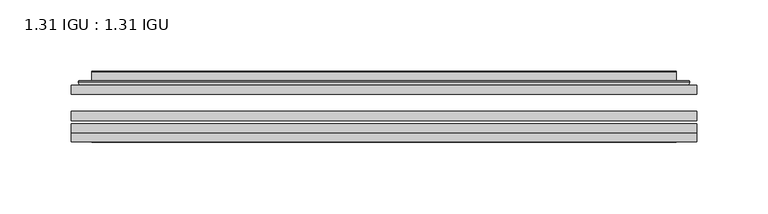
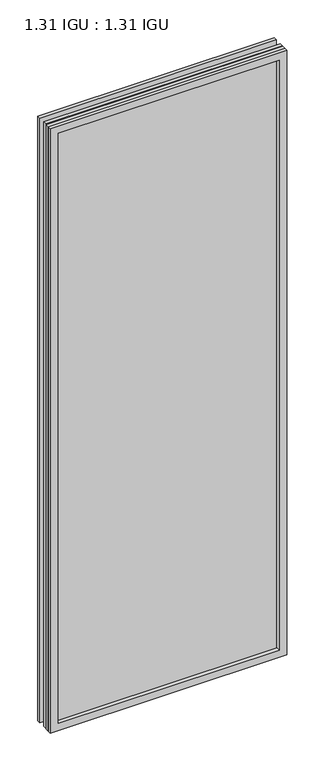
"""IFC4 building model written with IfcOpenShell, lengths in millimetres: plate geometry, 1.31 IGU : 1.31 IGU."""

from ifc_helpers import new_model, si_unit, frame, origin, place, context, project, spatial, polyline, ellipse_curve, outline, extrude, faceted_brep, source, transform, mapped, element, save
from ifc_brep_helpers import plane_surface, cylinder_surface, advanced_brep


def plate_1_31_igu_1_31_igu_09fe7ea7(model_context):
    return source(origin(), model_context, "Body", "SolidModel", [
        extrude(outline(polyline([(219.089175, -63.2975937), (219.089175, -69.6475938), (-219.075, -69.6475938), (-219.075, -63.2975937), (219.089175, -63.2975937)])), frame((0.0, 0.0, -14.2875), z_axis=(0.0, 0.0, 1.0), x_axis=(1.0, 0.0, 0.0)), (0.0, 0.0, 1.0), 1184.2787979),
        extrude(outline(polyline([(-219.075, -78.2835938), (-219.075, -71.9330887), (219.089175, -71.9330887), (219.089175, -78.2835938), (-219.075, -78.2835938)])), frame((0.0, 0.0, -14.2875), z_axis=(0.0, 0.0, 1.0), x_axis=(1.0, 0.0, 0.0)), (0.0, 0.0, 1.0), 1184.2787979),
        extrude(outline(polyline([(219.089175, -44.9587937), (219.089175, -51.3087938), (-219.075, -51.3087938), (-219.075, -44.9587937), (219.089175, -44.9587937)])), frame((0.0, 0.0, -14.2875), z_axis=(0.0, 0.0, 1.0), x_axis=(1.0, 0.0, 0.0)), (0.0, 0.0, 1.0), 1184.2787979),
        faceted_brep([(-219.0877, -84.6335937, 1170.0002), (-219.0877, -78.2835937, 1170.0002), (-219.0877, -78.2835937, -14.3002), (-219.0877, -84.6335937, -14.3002), (219.0877, -78.2835937, -14.3002), (219.0877, -84.6335937, -14.3002), (219.0877, -78.2835937, 1170.0002), (219.0877, -84.6335937, 1170.0002), (-203.8897559, -78.2835937, 0.8977441), (203.8897559, -78.2835937, 0.8977441), (203.8897559, -78.2835937, 1154.8022559), (-203.8897559, -78.2835937, 1154.8022559), (-204.7821902, -84.6335937, 1155.6946902), (204.7821902, -84.6335937, 1155.6946902), (204.7821902, -84.6335937, 0.0053098), (-204.7821902, -84.6335937, 0.0053098)], [[[0, 1, 2, 3]], [[3, 2, 4, 5]], [[5, 4, 6, 7]], [[1, 6, 4, 2], [8, 9, 10, 11]], [[7, 6, 1, 0]], [[3, 5, 7, 0], [12, 13, 14, 15]], [[11, 12, 15, 8]], [[8, 15, 14, 9]], [[9, 14, 13, 10]], [[10, 13, 12, 11]]]),
        advanced_brep(
        [(-211.833719, -44.9587937, 1162.746219), (-214.1879244, -42.9691271, 1165.1004244), (-214.1879244, -42.9691271, -9.4004244), (-211.833719, -44.9587937, -7.046219), (-202.7593939, -41.1187568, 1153.6718939), (-197.8245621, -44.9587937, 1148.7370621), (-197.8245621, -44.9587937, 6.9629379), (-202.7593939, -41.1187568, 2.0281061), (-203.7914217, -35.7215256, 1154.7039217), (-203.7914217, -35.7215256, 0.9960783), (-204.7820784, -35.3225507, 1155.6945784), (-204.7820784, -35.3225507, 0.0054216), (-204.7820784, -41.7837937, 1155.6945784), (-204.7820784, -41.7837937, 0.0054216), (-213.1861349, -41.7837937, 1164.0986349), (-213.1861349, -41.7837937, -8.3986349), (214.1879244, -42.9691271, -9.4004244), (211.833719, -44.9587937, -7.046219), (197.8245621, -44.9587937, 6.9629379), (202.7593939, -41.1187568, 2.0281061), (203.7914217, -35.7215256, 0.9960783), (204.7820784, -35.3225507, 0.0054216), (204.7820784, -41.7837937, 0.0054216), (213.1861349, -41.7837937, -8.3986349), (214.1879244, -42.9691271, 1165.1004244), (211.833719, -44.9587937, 1162.746219), (197.8245621, -44.9587937, 1148.7370621), (202.7593939, -41.1187568, 1153.6718939), (203.7914217, -35.7215256, 1154.7039217), (204.7820784, -35.3225507, 1155.6945784), (204.7820784, -41.7837937, 1155.6945784), (213.1861349, -41.7837937, 1164.0986349)],
        [
            (0, 1, ellipse_curve(frame((-211.833719, -42.5711937, 1162.746219), z_axis=(-0.7071067811865475, 0.0, -0.7071067811865475), x_axis=(-0.7071067811865474, 0.0, 0.7071067811865476)), 3.3765763, 2.3876)),
            (1, 2),
            (2, 3, ellipse_curve(frame((-211.833719, -42.5711937, -7.046219), z_axis=(-0.7071067811865475, 0.0, 0.7071067811865475), x_axis=(0.7071067811865474, 0.0, 0.7071067811865476)), 3.3765763, 2.3876)),
            (3, 0),
            (4, 5),
            (5, 6),
            (6, 7),
            (7, 4),
            (8, 4),
            (7, 9),
            (9, 8),
            (10, 8, ellipse_curve(frame((-204.4151219, -35.840786, 1155.3276219), z_axis=(-0.7071067811865475, 0.0, -0.7071067811865475), x_axis=(-0.7071067811865474, 0.0, 0.7071067811865476)), 0.8980256, 0.635)),
            (9, 11, ellipse_curve(frame((-204.4151219, -35.840786, 0.3723781), z_axis=(-0.7071067811865475, 0.0, 0.7071067811865475), x_axis=(0.7071067811865474, 0.0, 0.7071067811865476)), 0.8980256, 0.635)),
            (11, 10),
            (12, 10),
            (11, 13),
            (13, 12),
            (1, 14, ellipse_curve(frame((-213.1861349, -42.7997937, 1164.0986349), z_axis=(-0.7071067811865475, 0.0, -0.7071067811865475), x_axis=(-0.7071067811865474, 0.0, 0.7071067811865476)), 1.436841, 1.016)),
            (14, 15),
            (15, 2, ellipse_curve(frame((-213.1861349, -42.7997937, -8.3986349), z_axis=(-0.7071067811865475, 0.0, 0.7071067811865475), x_axis=(0.7071067811865474, 0.0, 0.7071067811865476)), 1.436841, 1.016)),
            (2, 16),
            (16, 17, ellipse_curve(frame((211.833719, -42.5711937, -7.046219), z_axis=(-0.7071067811865475, 0.0, -0.7071067811865475), x_axis=(-0.7071067811865476, 0.0, 0.7071067811865474)), 3.3765763, 2.3876)),
            (17, 3),
            (6, 18),
            (18, 19),
            (19, 7),
            (19, 20),
            (20, 9),
            (20, 21, ellipse_curve(frame((204.4151219, -35.840786, 0.3723781), z_axis=(-0.7071067811865475, 0.0, -0.7071067811865475), x_axis=(-0.7071067811865476, 0.0, 0.7071067811865474)), 0.8980256, 0.635)),
            (21, 11),
            (21, 22),
            (22, 13),
            (15, 23),
            (23, 16, ellipse_curve(frame((213.1861349, -42.7997937, -8.3986349), z_axis=(-0.7071067811865475, 0.0, -0.7071067811865475), x_axis=(-0.7071067811865476, 0.0, 0.7071067811865474)), 1.436841, 1.016)),
            (16, 24),
            (24, 25, ellipse_curve(frame((211.833719, -42.5711937, 1162.746219), z_axis=(0.7071067811865475, 0.0, -0.7071067811865475), x_axis=(-0.7071067811865474, 0.0, -0.7071067811865476)), 3.3765763, 2.3876)),
            (25, 17),
            (18, 26),
            (26, 27),
            (27, 19),
            (27, 28),
            (28, 20),
            (28, 29, ellipse_curve(frame((204.4151219, -35.840786, 1155.3276219), z_axis=(0.7071067811865475, 0.0, -0.7071067811865475), x_axis=(-0.7071067811865474, 0.0, -0.7071067811865476)), 0.8980256, 0.635)),
            (29, 21),
            (29, 30),
            (30, 22),
            (23, 31),
            (31, 24, ellipse_curve(frame((213.1861349, -42.7997937, 1164.0986349), z_axis=(0.7071067811865475, 0.0, -0.7071067811865475), x_axis=(-0.7071067811865474, 0.0, -0.7071067811865476)), 1.436841, 1.016)),
            (24, 1),
            (0, 25),
            (5, 26),
            (4, 27),
            (8, 28),
            (10, 29),
            (12, 30),
            (14, 31),
        ],
        [
            cylinder_surface(frame((-211.833719, -42.5711937, 1187.45), z_axis=(0.0, 0.0, 1.0), x_axis=(-1.0, 0.0, 0.0)), 2.3876),
            plane_surface(frame((-197.8245621, -44.9587937, 1148.7370621), z_axis=(0.6141233906514794, 0.7892100234124821, 0.0), x_axis=(0.0, 0.0, -1.0))),
            plane_surface(frame((-202.7593939, -41.1187568, 1153.6718939), z_axis=(0.9822050625507729, 0.18781164793386076, 0.0), x_axis=(0.0, 0.0, -1.0))),
            cylinder_surface(frame((-204.4151219, -35.840786, 1187.45), z_axis=(0.0, 0.0, 1.0), x_axis=(-1.0, 0.0, 0.0)), 0.635),
            plane_surface(frame((-204.7820784, -35.3225507, 1155.6945784), z_axis=(-1.0, 0.0, 0.0), x_axis=(0.0, 0.0, -1.0))),
            cylinder_surface(frame((-213.1861349, -42.7997937, 1187.45), z_axis=(0.0, 0.0, 1.0), x_axis=(-1.0, 0.0, 0.0)), 1.016),
            cylinder_surface(frame((-236.5375, -42.5711937, -7.046219), z_axis=(-1.0, 0.0, 0.0), x_axis=(0.0, 0.0, -1.0)), 2.3876),
            plane_surface(frame((-197.8245621, -44.9587937, 6.9629379), z_axis=(0.0, 0.7892100234124841, 0.6141233906514768), x_axis=(1.0, 0.0, 0.0))),
            plane_surface(frame((-202.7593939, -41.1187568, 2.0281061), z_axis=(0.0, 0.18781164793386393, 0.9822050625507723), x_axis=(1.0, 0.0, 0.0))),
            cylinder_surface(frame((-236.5375, -35.840786, 0.3723781), z_axis=(-1.0, 0.0, 0.0), x_axis=(0.0, 0.0, -1.0)), 0.635),
            plane_surface(frame((-204.7820784, -35.3225507, 0.0054216), z_axis=(0.0, 0.0, -1.0), x_axis=(1.0, 0.0, 0.0))),
            cylinder_surface(frame((-236.5375, -42.7997937, -8.3986349), z_axis=(-1.0, 0.0, 0.0), x_axis=(0.0, 0.0, -1.0)), 1.016),
            cylinder_surface(frame((211.833719, -42.5711937, -31.75), z_axis=(0.0, 0.0, -1.0), x_axis=(1.0, 0.0, 0.0)), 2.3876),
            plane_surface(frame((197.8245621, -44.9587937, 6.9629379), z_axis=(-0.6141233906514743, 0.7892100234124861, 0.0), x_axis=(0.0, 0.0, 1.0))),
            plane_surface(frame((202.7593939, -41.1187568, 2.0281061), z_axis=(-0.9822050625507718, 0.1878116479338671, 0.0), x_axis=(0.0, 0.0, 1.0))),
            cylinder_surface(frame((204.4151219, -35.840786, -31.75), z_axis=(0.0, 0.0, -1.0), x_axis=(1.0, 0.0, 0.0)), 0.635),
            plane_surface(frame((204.7820784, -35.3225507, 0.0054216), z_axis=(1.0, 0.0, 0.0), x_axis=(0.0, 0.0, 1.0))),
            cylinder_surface(frame((213.1861349, -42.7997937, -31.75), z_axis=(0.0, 0.0, -1.0), x_axis=(1.0, 0.0, 0.0)), 1.016),
            cylinder_surface(frame((236.5375, -42.5711937, 1162.746219), z_axis=(1.0, 0.0, 0.0), x_axis=(0.0, 0.0, 1.0)), 2.3876),
            plane_surface(frame((211.833719, -44.9587937, 1162.746219), z_axis=(0.0, -1.0, 0.0), x_axis=(-1.0, 0.0, 0.0))),
            plane_surface(frame((197.8245621, -44.9587937, 1148.7370621), z_axis=(0.0, 0.7892100234124841, -0.6141233906514768), x_axis=(-1.0, 0.0, 0.0))),
            plane_surface(frame((202.7593939, -41.1187568, 1153.6718939), z_axis=(0.0, 0.18781164793386393, -0.9822050625507723), x_axis=(-1.0, 0.0, 0.0))),
            cylinder_surface(frame((236.5375, -35.840786, 1155.3276219), z_axis=(1.0, 0.0, 0.0), x_axis=(0.0, 0.0, 1.0)), 0.635),
            plane_surface(frame((204.7820784, -35.3225507, 1155.6945784), z_axis=(0.0, 0.0, 1.0), x_axis=(-1.0, 0.0, 0.0))),
            plane_surface(frame((204.7820784, -41.7837937, 1155.6945784), z_axis=(0.0, 1.0, 0.0), x_axis=(-1.0, 0.0, 0.0))),
            cylinder_surface(frame((236.5375, -42.7997937, 1164.0986349), z_axis=(1.0, 0.0, 0.0), x_axis=(0.0, 0.0, 1.0)), 1.016),
        ],
        [
            (0, [[1, 2, 3, 4]]),
            (1, [[5, 6, 7, 8]]),
            (2, [[9, -8, 10, 11]]),
            (3, [[12, -11, 13, 14]]),
            (4, [[15, -14, 16, 17]]),
            (5, [[18, 19, 20, -2]]),
            (6, [[-3, 21, 22, 23]]),
            (7, [[-7, 24, 25, 26]]),
            (8, [[-10, -26, 27, 28]]),
            (9, [[-13, -28, 29, 30]]),
            (10, [[-16, -30, 31, 32]]),
            (11, [[-20, 33, 34, -21]]),
            (12, [[-22, 35, 36, 37]]),
            (13, [[-25, 38, 39, 40]]),
            (14, [[-27, -40, 41, 42]]),
            (15, [[-29, -42, 43, 44]]),
            (16, [[-31, -44, 45, 46]]),
            (17, [[-34, 47, 48, -35]]),
            (18, [[-36, 49, -1, 50]]),
            (19, [[-23, -37, -50, -4], [51, -38, -24, -6]]),
            (20, [[-39, -51, -5, 52]]),
            (21, [[-41, -52, -9, 53]]),
            (22, [[-43, -53, -12, 54]]),
            (23, [[-45, -54, -15, 55]]),
            (24, [[56, -47, -33, -19], [-32, -46, -55, -17]]),
            (25, [[-48, -56, -18, -49]]),
        ],
    ),
    ])


if __name__ == "__main__":
    model = new_model("IFC4")
    model_context = context("Model", 3, world=origin())
    ifc_project = project(units=[si_unit("LENGTHUNIT", "METRE", prefix="MILLI")], contexts=[model_context])
    site = spatial("IfcSite", under=ifc_project)
    building = spatial("IfcBuilding", under=site)
    placement = place(None, origin())
    plate_1_31_igu_1_31_igu_shape = plate_1_31_igu_1_31_igu_09fe7ea7(model_context)
    element("IfcPlate", 1, ObjectType="1.31 IGU : 1.31 IGU", at=placement, inside=building, context=model_context, shape_type="MappedRepresentation", body=[
        mapped(plate_1_31_igu_1_31_igu_shape, transform((0.0, 0.0, 0.0), x_axis=(1.0, 0.0, 0.0), y_axis=(0.0, 1.0, 0.0), z_axis=(0.0, 0.0, 1.0))),
    ])
    save(model, "model.ifc")
